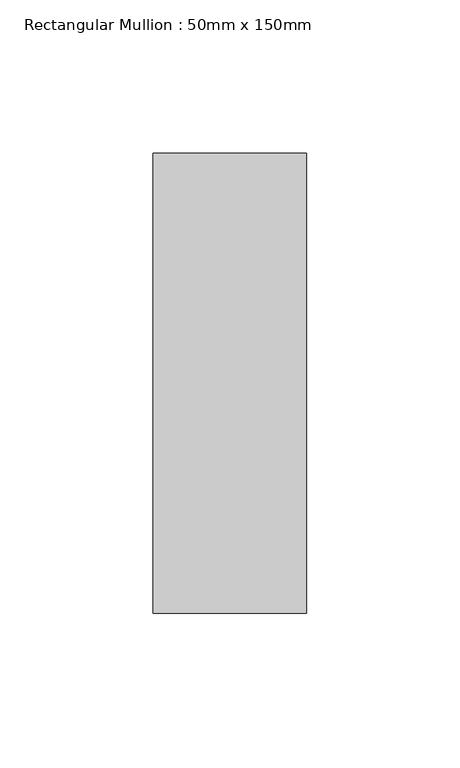
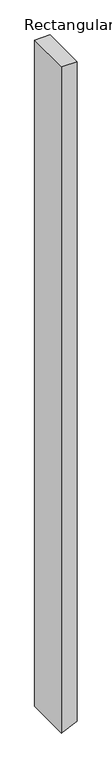
"""IFC4 building model written with IfcOpenShell, lengths in millimetres: member geometry, Rectangular Mullion : 50mm x 150mm."""

from ifc_helpers import new_model, si_unit, frame, origin, place, context, project, spatial, polyline, outline, extrude, source, transform, mapped, element, save


def rectangular_mullion_50mm_x_150mm_38652e70(model_context):
    return source(origin(), model_context, "Body", "SweptSolid", [
        extrude(outline(polyline([(0.0, 25.0), (0.0, -25.0), (-2276.9574232, -25.0), (-2275.1209266, -21.0411824), (-2253.762409, 25.0), (0.0, 25.0)])), frame((0.0, -75.0, 0.0), z_axis=(0.0, 1.0, 0.0), x_axis=(0.0, 0.0, 1.0)), (0.0, 0.0, 1.0), 150.0),
    ])


if __name__ == "__main__":
    model = new_model("IFC4")
    model_context = context("Model", 3, world=origin())
    ifc_project = project(units=[si_unit("LENGTHUNIT", "METRE", prefix="MILLI")], contexts=[model_context])
    site = spatial("IfcSite", under=ifc_project)
    building = spatial("IfcBuilding", under=site)
    placement = place(None, origin())
    rectangular_mullion_50mm_x_150mm_shape = rectangular_mullion_50mm_x_150mm_38652e70(model_context)
    element("IfcMember", 1, ObjectType="Rectangular Mullion : 50mm x 150mm", at=placement, inside=building, context=model_context, shape_type="MappedRepresentation", body=[
        mapped(rectangular_mullion_50mm_x_150mm_shape, transform((0.0, 0.0, 0.0), x_axis=(1.0, 0.0, 0.0), y_axis=(0.0, 1.0, 0.0), z_axis=(0.0, 0.0, 1.0))),
    ])
    save(model, "model.ifc")
